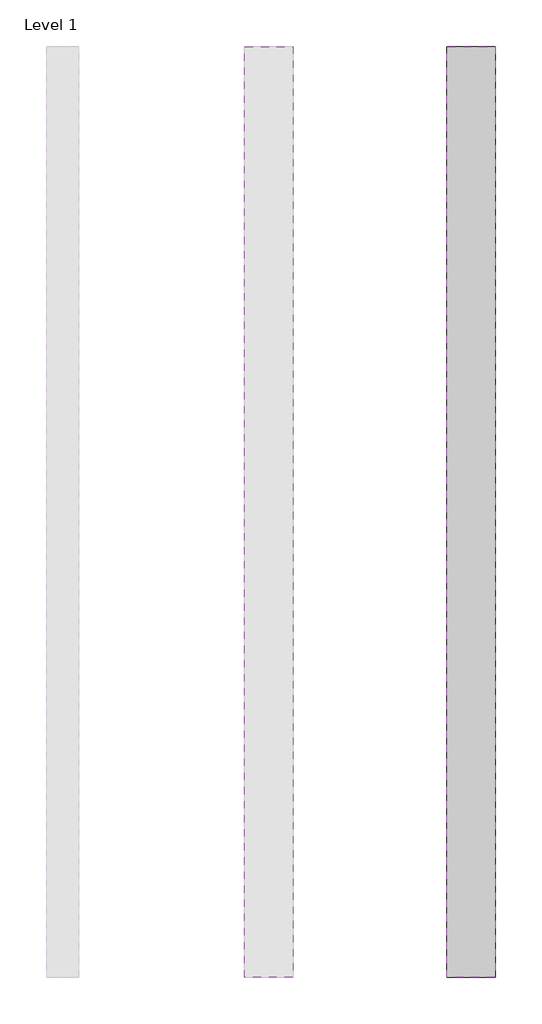
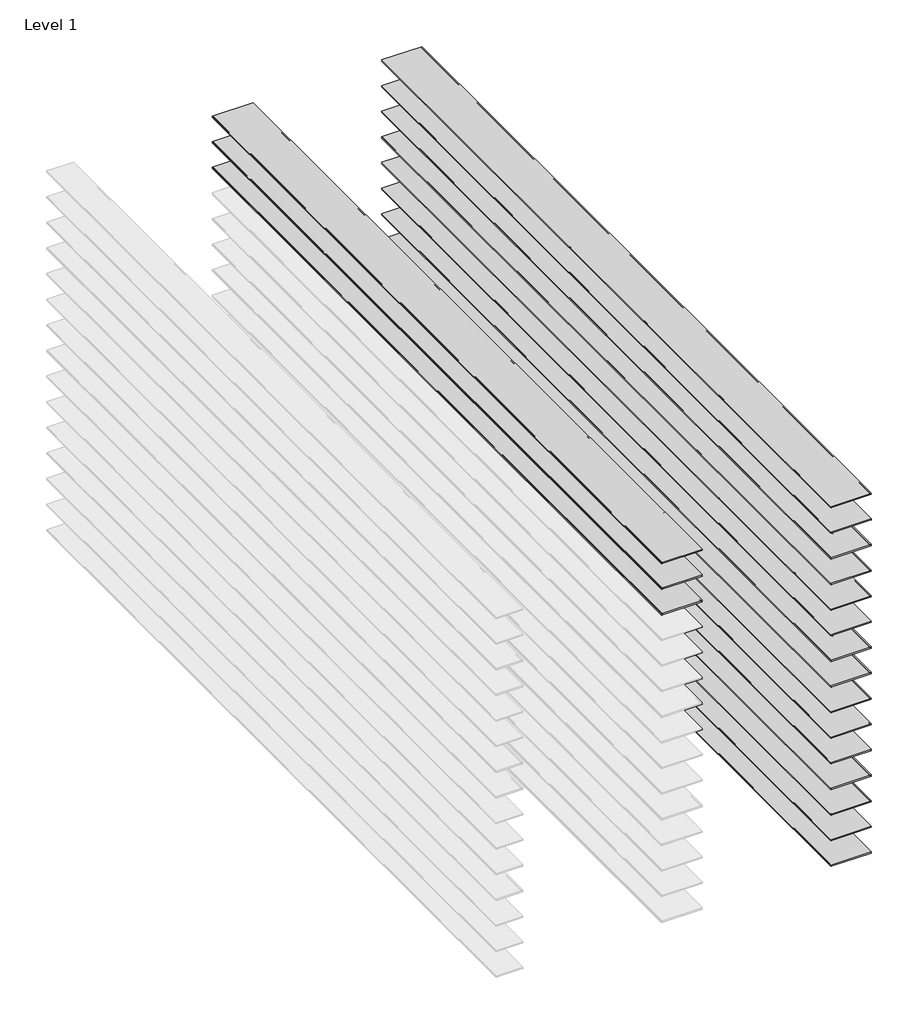
# One storey, part 3 of 3: 18 proxies.
"""IFC4 building model written with IfcOpenShell, lengths in millimetres."""

from ifc_helpers import new_model, si_unit, point, frame, frame_2d, origin, place, context, project, spatial, polyline, circle_curve, trimmed, segment, composite_curve, outline, extrude, element, save
from ifc_brep_helpers import plane_surface, revolved_surface, advanced_brep

model = new_model("IFC4")

# Units and contexts
model_context = context("Model", 3, world=origin())
ifc_project = project(units=[si_unit("LENGTHUNIT", "METRE", prefix="MILLI")], contexts=[model_context])

# Site, building, storey
site = spatial("IfcSite", under=ifc_project)
building = spatial("IfcBuilding", under=site)
storey = spatial("IfcBuildingStorey", under=building, Name="Level 1", Elevation=0.0)

# Proxies
placement = place(None, origin())
element("IfcBuildingElementProxy", 1, Name="Reveals", at=placement, inside=storey, context=model_context, shape_type="AdvancedBrep", body=[
    advanced_brep(
    [(-16224.8026773, 3227.6377356, 2632.075), (-16224.8026773, 3227.6377356, 2641.6), (-16529.6026773, 3227.6377356, 2641.6), (-16529.6026773, 3227.6377356, 2632.075), (-16224.8026773, 9069.6377356, 2632.075), (-16529.6026773, 9069.6377356, 2632.075), (-16529.6026773, 9069.6377356, 2641.6), (-16224.8026773, 9069.6377356, 2641.6)],
    [
        (0, 1, circle_curve(frame((-16224.8026773, 3227.6377356, 2636.8375), z_axis=(0.0, 1.0, 0.0), x_axis=(1.0, 0.0, 0.0)), 4.7625)),
        (1, 2),
        (2, 3, circle_curve(frame((-16529.6026773, 3227.6377356, 2636.8375), z_axis=(0.0, 1.0, 0.0), x_axis=(1.0, 0.0, 0.0)), 4.7625)),
        (3, 0),
        (4, 5),
        (5, 6, circle_curve(frame((-16529.6026773, 9069.6377356, 2636.8375), z_axis=(0.0, -1.0, 0.0), x_axis=(1.0, 0.0, 0.0)), 4.7625)),
        (6, 7),
        (7, 4, circle_curve(frame((-16224.8026773, 9069.6377356, 2636.8375), z_axis=(0.0, -1.0, 0.0), x_axis=(1.0, 0.0, 0.0)), 4.7625)),
        (0, 4),
        (7, 1),
        (6, 2),
        (5, 3),
    ],
    [
        plane_surface(frame((-16834.5514691, 3227.6377356, 2641.6), z_axis=(0.0, -1.0, 0.0), x_axis=(0.0, 0.0, 1.0))),
        plane_surface(frame((-16834.5514691, 9069.6377356, 2641.6), z_axis=(0.0, 1.0, 0.0), x_axis=(0.0, 0.0, 1.0))),
        revolved_surface(polyline([(-16220.0401773, 9069.6377356, 2636.8375), (-16220.0401773, 3227.6377356, 2636.8375)]), (-16224.8026773, 3227.6377356, 2636.8375), (0.0, 1.0, 0.0)),
        plane_surface(frame((-16224.8026773, 3227.6377356, 2641.6), z_axis=(0.0, 0.0, 1.0), x_axis=(0.0, 1.0, 0.0))),
        revolved_surface(polyline([(-16524.8401773, 9069.6377356, 2636.8375), (-16524.8401773, 3227.6377356, 2636.8375)]), (-16529.6026773, 3227.6377356, 2636.8375), (0.0, 1.0, 0.0)),
        plane_surface(frame((-16529.6026773, 3227.6377356, 2632.075), z_axis=(0.0, 0.0, -1.0), x_axis=(0.0, 1.0, 0.0))),
    ],
    [
        (0, [[1, 2, 3, 4]]),
        (1, [[5, 6, 7, 8]]),
        (2, [[-1, 9, -8, 10]]),
        (3, [[-2, -10, -7, 11]]),
        (4, [[-3, -11, -6, 12]]),
        (5, [[-4, -12, -5, -9]]),
    ],
),
])
element("IfcBuildingElementProxy", 2, Name="Reveals", at=placement, inside=storey, context=model_context, shape_type="AdvancedBrep", body=[
    advanced_brep(
    [(-16224.8026773, 3227.6377356, 2835.275), (-16224.8026773, 3227.6377356, 2844.8), (-16529.6026773, 3227.6377356, 2844.8), (-16529.6026773, 3227.6377356, 2835.275), (-16224.8026773, 9069.6377356, 2835.275), (-16529.6026773, 9069.6377356, 2835.275), (-16529.6026773, 9069.6377356, 2844.8), (-16224.8026773, 9069.6377356, 2844.8)],
    [
        (0, 1, circle_curve(frame((-16224.8026773, 3227.6377356, 2840.0375), z_axis=(0.0, 1.0, 0.0), x_axis=(1.0, 0.0, 0.0)), 4.7625)),
        (1, 2),
        (2, 3, circle_curve(frame((-16529.6026773, 3227.6377356, 2840.0375), z_axis=(0.0, 1.0, 0.0), x_axis=(1.0, 0.0, 0.0)), 4.7625)),
        (3, 0),
        (4, 5),
        (5, 6, circle_curve(frame((-16529.6026773, 9069.6377356, 2840.0375), z_axis=(0.0, -1.0, 0.0), x_axis=(1.0, 0.0, 0.0)), 4.7625)),
        (6, 7),
        (7, 4, circle_curve(frame((-16224.8026773, 9069.6377356, 2840.0375), z_axis=(0.0, -1.0, 0.0), x_axis=(1.0, 0.0, 0.0)), 4.7625)),
        (0, 4),
        (7, 1),
        (6, 2),
        (5, 3),
    ],
    [
        plane_surface(frame((-16834.5514691, 3227.6377356, 2844.8), z_axis=(0.0, -1.0, 0.0), x_axis=(0.0, 0.0, 1.0))),
        plane_surface(frame((-16834.5514691, 9069.6377356, 2844.8), z_axis=(0.0, 1.0, 0.0), x_axis=(0.0, 0.0, 1.0))),
        revolved_surface(polyline([(-16220.0401773, 9069.6377356, 2840.0375), (-16220.0401773, 3227.6377356, 2840.0375)]), (-16224.8026773, 3227.6377356, 2840.0375), (0.0, 1.0, 0.0)),
        plane_surface(frame((-16224.8026773, 3227.6377356, 2844.8), z_axis=(0.0, 0.0, 1.0), x_axis=(0.0, 1.0, 0.0))),
        revolved_surface(polyline([(-16524.8401773, 9069.6377356, 2840.0375), (-16524.8401773, 3227.6377356, 2840.0375)]), (-16529.6026773, 3227.6377356, 2840.0375), (0.0, 1.0, 0.0)),
        plane_surface(frame((-16529.6026773, 3227.6377356, 2835.275), z_axis=(0.0, 0.0, -1.0), x_axis=(0.0, 1.0, 0.0))),
    ],
    [
        (0, [[1, 2, 3, 4]]),
        (1, [[5, 6, 7, 8]]),
        (2, [[-1, 9, -8, 10]]),
        (3, [[-2, -10, -7, 11]]),
        (4, [[-3, -11, -6, 12]]),
        (5, [[-4, -12, -5, -9]]),
    ],
),
])
element("IfcBuildingElementProxy", 3, Name="Reveals", at=placement, inside=storey, context=model_context, shape_type="AdvancedBrep", body=[
    advanced_brep(
    [(-16224.8026773, 3227.6377356, 3038.475), (-16224.8026773, 3227.6377356, 3048.0), (-16529.6026773, 3227.6377356, 3048.0), (-16529.6026773, 3227.6377356, 3038.475), (-16224.8026773, 9069.6377356, 3038.475), (-16529.6026773, 9069.6377356, 3038.475), (-16529.6026773, 9069.6377356, 3048.0), (-16224.8026773, 9069.6377356, 3048.0)],
    [
        (0, 1, circle_curve(frame((-16224.8026773, 3227.6377356, 3043.2375), z_axis=(0.0, 1.0, 0.0), x_axis=(1.0, 0.0, 0.0)), 4.7625)),
        (1, 2),
        (2, 3, circle_curve(frame((-16529.6026773, 3227.6377356, 3043.2375), z_axis=(0.0, 1.0, 0.0), x_axis=(1.0, 0.0, 0.0)), 4.7625)),
        (3, 0),
        (4, 5),
        (5, 6, circle_curve(frame((-16529.6026773, 9069.6377356, 3043.2375), z_axis=(0.0, -1.0, 0.0), x_axis=(1.0, 0.0, 0.0)), 4.7625)),
        (6, 7),
        (7, 4, circle_curve(frame((-16224.8026773, 9069.6377356, 3043.2375), z_axis=(0.0, -1.0, 0.0), x_axis=(1.0, 0.0, 0.0)), 4.7625)),
        (0, 4),
        (7, 1),
        (6, 2),
        (5, 3),
    ],
    [
        plane_surface(frame((-16834.5514691, 3227.6377356, 3048.0), z_axis=(0.0, -1.0, 0.0), x_axis=(0.0, 0.0, 1.0))),
        plane_surface(frame((-16834.5514691, 9069.6377356, 3048.0), z_axis=(0.0, 1.0, 0.0), x_axis=(0.0, 0.0, 1.0))),
        revolved_surface(polyline([(-16220.0401773, 9069.6377356, 3043.2375), (-16220.0401773, 3227.6377356, 3043.2375)]), (-16224.8026773, 3227.6377356, 3043.2375), (0.0, 1.0, 0.0)),
        plane_surface(frame((-16224.8026773, 3227.6377356, 3048.0), z_axis=(0.0, 0.0, 1.0), x_axis=(0.0, 1.0, 0.0))),
        revolved_surface(polyline([(-16524.8401773, 9069.6377356, 3043.2375), (-16524.8401773, 3227.6377356, 3043.2375)]), (-16529.6026773, 3227.6377356, 3043.2375), (0.0, 1.0, 0.0)),
        plane_surface(frame((-16529.6026773, 3227.6377356, 3038.475), z_axis=(0.0, 0.0, -1.0), x_axis=(0.0, 1.0, 0.0))),
    ],
    [
        (0, [[1, 2, 3, 4]]),
        (1, [[5, 6, 7, 8]]),
        (2, [[-1, 9, -8, 10]]),
        (3, [[-2, -10, -7, 11]]),
        (4, [[-3, -11, -6, 12]]),
        (5, [[-4, -12, -5, -9]]),
    ],
),
])
element("IfcBuildingElementProxy", 4, Name="Reveals", at=placement, inside=storey, context=model_context, shape_type="AdvancedBrep", body=[
    advanced_brep(
    [(-14954.8026773, 3227.6377356, 1209.675), (-14954.8026773, 3227.6377356, 1219.2), (-15259.6026773, 3227.6377356, 1219.2), (-15259.6026773, 3227.6377356, 1209.675), (-14954.8026773, 9069.6377356, 1209.675), (-15259.6026773, 9069.6377356, 1209.675), (-15259.6026773, 9069.6377356, 1219.2), (-14954.8026773, 9069.6377356, 1219.2)],
    [
        (0, 1, circle_curve(frame((-14954.8026773, 3227.6377356, 1214.4375), z_axis=(0.0, 1.0, 0.0), x_axis=(1.0, 0.0, 0.0)), 4.7625)),
        (1, 2),
        (2, 3, circle_curve(frame((-15259.6026773, 3227.6377356, 1214.4375), z_axis=(0.0, 1.0, 0.0), x_axis=(1.0, 0.0, 0.0)), 4.7625)),
        (3, 0),
        (4, 5),
        (5, 6, circle_curve(frame((-15259.6026773, 9069.6377356, 1214.4375), z_axis=(0.0, -1.0, 0.0), x_axis=(1.0, 0.0, 0.0)), 4.7625)),
        (6, 7),
        (7, 4, circle_curve(frame((-14954.8026773, 9069.6377356, 1214.4375), z_axis=(0.0, -1.0, 0.0), x_axis=(1.0, 0.0, 0.0)), 4.7625)),
        (0, 4),
        (7, 1),
        (6, 2),
        (5, 3),
    ],
    [
        plane_surface(frame((-15564.5514691, 3227.6377356, 1219.2), z_axis=(0.0, -1.0, 0.0), x_axis=(0.0, 0.0, 1.0))),
        plane_surface(frame((-15564.5514691, 9069.6377356, 1219.2), z_axis=(0.0, 1.0, 0.0), x_axis=(0.0, 0.0, 1.0))),
        revolved_surface(polyline([(-14950.0401773, 9069.6377356, 1214.4375), (-14950.0401773, 3227.6377356, 1214.4375)]), (-14954.8026773, 3227.6377356, 1214.4375), (0.0, 1.0, 0.0)),
        plane_surface(frame((-14954.8026773, 3227.6377356, 1219.2), z_axis=(0.0, 0.0, 1.0), x_axis=(0.0, 1.0, 0.0))),
        revolved_surface(polyline([(-15254.840177299999, 9069.6377356, 1214.4375), (-15254.840177299999, 3227.6377356, 1214.4375)]), (-15259.6026773, 3227.6377356, 1214.4375), (0.0, 1.0, 0.0)),
        plane_surface(frame((-15259.6026773, 3227.6377356, 1209.675), z_axis=(0.0, 0.0, -1.0), x_axis=(0.0, 1.0, 0.0))),
    ],
    [
        (0, [[1, 2, 3, 4]]),
        (1, [[5, 6, 7, 8]]),
        (2, [[-1, 9, -8, 10]]),
        (3, [[-2, -10, -7, 11]]),
        (4, [[-3, -11, -6, 12]]),
        (5, [[-4, -12, -5, -9]]),
    ],
),
])
element("IfcBuildingElementProxy", 5, Name="Reveals", at=placement, inside=storey, context=model_context, shape_type="AdvancedBrep", body=[
    advanced_brep(
    [(-14954.8026773, 3227.6377356, 1006.475), (-14954.8026773, 3227.6377356, 1016.0), (-15259.6026773, 3227.6377356, 1016.0), (-15259.6026773, 3227.6377356, 1006.475), (-14954.8026773, 9069.6377356, 1006.475), (-15259.6026773, 9069.6377356, 1006.475), (-15259.6026773, 9069.6377356, 1016.0), (-14954.8026773, 9069.6377356, 1016.0)],
    [
        (0, 1, circle_curve(frame((-14954.8026773, 3227.6377356, 1011.2375), z_axis=(0.0, 1.0, 0.0), x_axis=(1.0, 0.0, 0.0)), 4.7625)),
        (1, 2),
        (2, 3, circle_curve(frame((-15259.6026773, 3227.6377356, 1011.2375), z_axis=(0.0, 1.0, 0.0), x_axis=(1.0, 0.0, 0.0)), 4.7625)),
        (3, 0),
        (4, 5),
        (5, 6, circle_curve(frame((-15259.6026773, 9069.6377356, 1011.2375), z_axis=(0.0, -1.0, 0.0), x_axis=(1.0, 0.0, 0.0)), 4.7625)),
        (6, 7),
        (7, 4, circle_curve(frame((-14954.8026773, 9069.6377356, 1011.2375), z_axis=(0.0, -1.0, 0.0), x_axis=(1.0, 0.0, 0.0)), 4.7625)),
        (0, 4),
        (7, 1),
        (6, 2),
        (5, 3),
    ],
    [
        plane_surface(frame((-15564.5514691, 3227.6377356, 1016.0), z_axis=(0.0, -1.0, 0.0), x_axis=(0.0, 0.0, 1.0))),
        plane_surface(frame((-15564.5514691, 9069.6377356, 1016.0), z_axis=(0.0, 1.0, 0.0), x_axis=(0.0, 0.0, 1.0))),
        revolved_surface(polyline([(-14950.0401773, 9069.6377356, 1011.2375), (-14950.0401773, 3227.6377356, 1011.2375)]), (-14954.8026773, 3227.6377356, 1011.2375), (0.0, 1.0, 0.0)),
        plane_surface(frame((-14954.8026773, 3227.6377356, 1016.0), z_axis=(0.0, 0.0, 1.0), x_axis=(0.0, 1.0, 0.0))),
        revolved_surface(polyline([(-15254.840177299999, 9069.6377356, 1011.2375), (-15254.840177299999, 3227.6377356, 1011.2375)]), (-15259.6026773, 3227.6377356, 1011.2375), (0.0, 1.0, 0.0)),
        plane_surface(frame((-15259.6026773, 3227.6377356, 1006.475), z_axis=(0.0, 0.0, -1.0), x_axis=(0.0, 1.0, 0.0))),
    ],
    [
        (0, [[1, 2, 3, 4]]),
        (1, [[5, 6, 7, 8]]),
        (2, [[-1, 9, -8, 10]]),
        (3, [[-2, -10, -7, 11]]),
        (4, [[-3, -11, -6, 12]]),
        (5, [[-4, -12, -5, -9]]),
    ],
),
])
element("IfcBuildingElementProxy", 6, Name="Reveals", at=placement, inside=storey, context=model_context, shape_type="AdvancedBrep", body=[
    advanced_brep(
    [(-14954.8026773, 3227.6377356, 803.275), (-14954.8026773, 3227.6377356, 812.8), (-15259.6026773, 3227.6377356, 812.8), (-15259.6026773, 3227.6377356, 803.275), (-14954.8026773, 9069.6377356, 803.275), (-15259.6026773, 9069.6377356, 803.275), (-15259.6026773, 9069.6377356, 812.8), (-14954.8026773, 9069.6377356, 812.8)],
    [
        (0, 1, circle_curve(frame((-14954.8026773, 3227.6377356, 808.0375), z_axis=(0.0, 1.0, 0.0), x_axis=(1.0, 0.0, 0.0)), 4.7625)),
        (1, 2),
        (2, 3, circle_curve(frame((-15259.6026773, 3227.6377356, 808.0375), z_axis=(0.0, 1.0, 0.0), x_axis=(1.0, 0.0, 0.0)), 4.7625)),
        (3, 0),
        (4, 5),
        (5, 6, circle_curve(frame((-15259.6026773, 9069.6377356, 808.0375), z_axis=(0.0, -1.0, 0.0), x_axis=(1.0, 0.0, 0.0)), 4.7625)),
        (6, 7),
        (7, 4, circle_curve(frame((-14954.8026773, 9069.6377356, 808.0375), z_axis=(0.0, -1.0, 0.0), x_axis=(1.0, 0.0, 0.0)), 4.7625)),
        (0, 4),
        (7, 1),
        (6, 2),
        (5, 3),
    ],
    [
        plane_surface(frame((-15564.5514691, 3227.6377356, 812.8), z_axis=(0.0, -1.0, 0.0), x_axis=(0.0, 0.0, 1.0))),
        plane_surface(frame((-15564.5514691, 9069.6377356, 812.8), z_axis=(0.0, 1.0, 0.0), x_axis=(0.0, 0.0, 1.0))),
        revolved_surface(polyline([(-14950.0401773, 9069.6377356, 808.0375), (-14950.0401773, 3227.6377356, 808.0375)]), (-14954.8026773, 3227.6377356, 808.0375), (0.0, 1.0, 0.0)),
        plane_surface(frame((-14954.8026773, 3227.6377356, 812.8), z_axis=(0.0, 0.0, 1.0), x_axis=(0.0, 1.0, 0.0))),
        revolved_surface(polyline([(-15254.840177299999, 9069.6377356, 808.0375), (-15254.840177299999, 3227.6377356, 808.0375)]), (-15259.6026773, 3227.6377356, 808.0375), (0.0, 1.0, 0.0)),
        plane_surface(frame((-15259.6026773, 3227.6377356, 803.275), z_axis=(0.0, 0.0, -1.0), x_axis=(0.0, 1.0, 0.0))),
    ],
    [
        (0, [[1, 2, 3, 4]]),
        (1, [[5, 6, 7, 8]]),
        (2, [[-1, 9, -8, 10]]),
        (3, [[-2, -10, -7, 11]]),
        (4, [[-3, -11, -6, 12]]),
        (5, [[-4, -12, -5, -9]]),
    ],
),
])
element("IfcBuildingElementProxy", 7, Name="Reveals", at=placement, inside=storey, context=model_context, shape_type="AdvancedBrep", body=[
    advanced_brep(
    [(-14954.8026773, 3227.6377356, 600.075), (-14954.8026773, 3227.6377356, 609.6), (-15259.6026773, 3227.6377356, 609.6), (-15259.6026773, 3227.6377356, 600.075), (-14954.8026773, 9069.6377356, 600.075), (-15259.6026773, 9069.6377356, 600.075), (-15259.6026773, 9069.6377356, 609.6), (-14954.8026773, 9069.6377356, 609.6)],
    [
        (0, 1, circle_curve(frame((-14954.8026773, 3227.6377356, 604.8375), z_axis=(0.0, 1.0, 0.0), x_axis=(1.0, 0.0, 0.0)), 4.7625)),
        (1, 2),
        (2, 3, circle_curve(frame((-15259.6026773, 3227.6377356, 604.8375), z_axis=(0.0, 1.0, 0.0), x_axis=(1.0, 0.0, 0.0)), 4.7625)),
        (3, 0),
        (4, 5),
        (5, 6, circle_curve(frame((-15259.6026773, 9069.6377356, 604.8375), z_axis=(0.0, -1.0, 0.0), x_axis=(1.0, 0.0, 0.0)), 4.7625)),
        (6, 7),
        (7, 4, circle_curve(frame((-14954.8026773, 9069.6377356, 604.8375), z_axis=(0.0, -1.0, 0.0), x_axis=(1.0, 0.0, 0.0)), 4.7625)),
        (0, 4),
        (7, 1),
        (6, 2),
        (5, 3),
    ],
    [
        plane_surface(frame((-15564.5514691, 3227.6377356, 609.6), z_axis=(0.0, -1.0, 0.0), x_axis=(0.0, 0.0, 1.0))),
        plane_surface(frame((-15564.5514691, 9069.6377356, 609.6), z_axis=(0.0, 1.0, 0.0), x_axis=(0.0, 0.0, 1.0))),
        revolved_surface(polyline([(-14950.0401773, 9069.6377356, 604.8375), (-14950.0401773, 3227.6377356, 604.8375)]), (-14954.8026773, 3227.6377356, 604.8375), (0.0, 1.0, 0.0)),
        plane_surface(frame((-14954.8026773, 3227.6377356, 609.6), z_axis=(0.0, 0.0, 1.0), x_axis=(0.0, 1.0, 0.0))),
        revolved_surface(polyline([(-15254.840177299999, 9069.6377356, 604.8375), (-15254.840177299999, 3227.6377356, 604.8375)]), (-15259.6026773, 3227.6377356, 604.8375), (0.0, 1.0, 0.0)),
        plane_surface(frame((-15259.6026773, 3227.6377356, 600.075), z_axis=(0.0, 0.0, -1.0), x_axis=(0.0, 1.0, 0.0))),
    ],
    [
        (0, [[1, 2, 3, 4]]),
        (1, [[5, 6, 7, 8]]),
        (2, [[-1, 9, -8, 10]]),
        (3, [[-2, -10, -7, 11]]),
        (4, [[-3, -11, -6, 12]]),
        (5, [[-4, -12, -5, -9]]),
    ],
),
])
element("IfcBuildingElementProxy", 8, Name="Reveals", at=placement, inside=storey, context=model_context, shape_type="SweptSolid", body=[
    extrude(outline(composite_curve([segment(trimmed(circle_curve(frame_2d((401.6375, -14954.8026773)), 4.7625), [point((396.875, -14954.8026773))], [point((406.4, -14954.8026773))], True, "CARTESIAN"), True, "CONTINUOUS"), segment(polyline([(406.4, -14954.8026773), (406.4, -15259.6026773)]), True, "CONTINUOUS"), segment(trimmed(circle_curve(frame_2d((401.6375, -15259.6026773)), 4.7625), [point((406.4, -15259.6026773))], [point((396.875, -15259.6026773))], True, "CARTESIAN"), True, "CONTINUOUS"), segment(polyline([(396.875, -15259.6026773), (396.875, -14954.8026773)]), True, "CONTINUOUS")], self_intersect=False)), frame((0.0, 3227.6377356, 0.0), z_axis=(0.0, 1.0, 0.0), x_axis=(0.0, 0.0, 1.0)), (0.0, 0.0, 1.0), 5842.0),
])
element("IfcBuildingElementProxy", 9, Name="Reveals", at=placement, inside=storey, context=model_context, shape_type="SweptSolid", body=[
    extrude(outline(composite_curve([segment(trimmed(circle_curve(frame_2d((198.4375, -14954.8026773)), 4.7625), [point((193.675, -14954.8026773))], [point((203.2, -14954.8026773))], True, "CARTESIAN"), True, "CONTINUOUS"), segment(polyline([(203.2, -14954.8026773), (203.2, -15259.6026773)]), True, "CONTINUOUS"), segment(trimmed(circle_curve(frame_2d((198.4375, -15259.6026773)), 4.7625), [point((203.2, -15259.6026773))], [point((193.675, -15259.6026773))], True, "CARTESIAN"), True, "CONTINUOUS"), segment(polyline([(193.675, -15259.6026773), (193.675, -14954.8026773)]), True, "CONTINUOUS")], self_intersect=False)), frame((0.0, 3227.6377356, 0.0), z_axis=(0.0, 1.0, 0.0), x_axis=(0.0, 0.0, 1.0)), (0.0, 0.0, 1.0), 5842.0),
])
element("IfcBuildingElementProxy", 10, Name="Reveals", at=placement, inside=storey, context=model_context, shape_type="AdvancedBrep", body=[
    advanced_brep(
    [(-14954.8026773, 3227.6377356, 2225.675), (-14954.8026773, 3227.6377356, 2235.2), (-15259.6026773, 3227.6377356, 2235.2), (-15259.6026773, 3227.6377356, 2225.675), (-14954.8026773, 9069.6377356, 2225.675), (-15259.6026773, 9069.6377356, 2225.675), (-15259.6026773, 9069.6377356, 2235.2), (-14954.8026773, 9069.6377356, 2235.2)],
    [
        (0, 1, circle_curve(frame((-14954.8026773, 3227.6377356, 2230.4375), z_axis=(0.0, 1.0, 0.0), x_axis=(1.0, 0.0, 0.0)), 4.7625)),
        (1, 2),
        (2, 3, circle_curve(frame((-15259.6026773, 3227.6377356, 2230.4375), z_axis=(0.0, 1.0, 0.0), x_axis=(1.0, 0.0, 0.0)), 4.7625)),
        (3, 0),
        (4, 5),
        (5, 6, circle_curve(frame((-15259.6026773, 9069.6377356, 2230.4375), z_axis=(0.0, -1.0, 0.0), x_axis=(1.0, 0.0, 0.0)), 4.7625)),
        (6, 7),
        (7, 4, circle_curve(frame((-14954.8026773, 9069.6377356, 2230.4375), z_axis=(0.0, -1.0, 0.0), x_axis=(1.0, 0.0, 0.0)), 4.7625)),
        (0, 4),
        (7, 1),
        (6, 2),
        (5, 3),
    ],
    [
        plane_surface(frame((-15564.5514691, 3227.6377356, 2235.2), z_axis=(0.0, -1.0, 0.0), x_axis=(0.0, 0.0, 1.0))),
        plane_surface(frame((-15564.5514691, 9069.6377356, 2235.2), z_axis=(0.0, 1.0, 0.0), x_axis=(0.0, 0.0, 1.0))),
        revolved_surface(polyline([(-14950.0401773, 9069.6377356, 2230.4375), (-14950.0401773, 3227.6377356, 2230.4375)]), (-14954.8026773, 3227.6377356, 2230.4375), (0.0, 1.0, 0.0)),
        plane_surface(frame((-14954.8026773, 3227.6377356, 2235.2), z_axis=(0.0, 0.0, 1.0), x_axis=(0.0, 1.0, 0.0))),
        revolved_surface(polyline([(-15254.840177299999, 9069.6377356, 2230.4375), (-15254.840177299999, 3227.6377356, 2230.4375)]), (-15259.6026773, 3227.6377356, 2230.4375), (0.0, 1.0, 0.0)),
        plane_surface(frame((-15259.6026773, 3227.6377356, 2225.675), z_axis=(0.0, 0.0, -1.0), x_axis=(0.0, 1.0, 0.0))),
    ],
    [
        (0, [[1, 2, 3, 4]]),
        (1, [[5, 6, 7, 8]]),
        (2, [[-1, 9, -8, 10]]),
        (3, [[-2, -10, -7, 11]]),
        (4, [[-3, -11, -6, 12]]),
        (5, [[-4, -12, -5, -9]]),
    ],
),
])
element("IfcBuildingElementProxy", 11, Name="Reveals", at=placement, inside=storey, context=model_context, shape_type="AdvancedBrep", body=[
    advanced_brep(
    [(-14954.8026773, 3227.6377356, 2022.475), (-14954.8026773, 3227.6377356, 2032.0), (-15259.6026773, 3227.6377356, 2032.0), (-15259.6026773, 3227.6377356, 2022.475), (-14954.8026773, 9069.6377356, 2022.475), (-15259.6026773, 9069.6377356, 2022.475), (-15259.6026773, 9069.6377356, 2032.0), (-14954.8026773, 9069.6377356, 2032.0)],
    [
        (0, 1, circle_curve(frame((-14954.8026773, 3227.6377356, 2027.2375), z_axis=(0.0, 1.0, 0.0), x_axis=(1.0, 0.0, 0.0)), 4.7625)),
        (1, 2),
        (2, 3, circle_curve(frame((-15259.6026773, 3227.6377356, 2027.2375), z_axis=(0.0, 1.0, 0.0), x_axis=(1.0, 0.0, 0.0)), 4.7625)),
        (3, 0),
        (4, 5),
        (5, 6, circle_curve(frame((-15259.6026773, 9069.6377356, 2027.2375), z_axis=(0.0, -1.0, 0.0), x_axis=(1.0, 0.0, 0.0)), 4.7625)),
        (6, 7),
        (7, 4, circle_curve(frame((-14954.8026773, 9069.6377356, 2027.2375), z_axis=(0.0, -1.0, 0.0), x_axis=(1.0, 0.0, 0.0)), 4.7625)),
        (0, 4),
        (7, 1),
        (6, 2),
        (5, 3),
    ],
    [
        plane_surface(frame((-15564.5514691, 3227.6377356, 2032.0), z_axis=(0.0, -1.0, 0.0), x_axis=(0.0, 0.0, 1.0))),
        plane_surface(frame((-15564.5514691, 9069.6377356, 2032.0), z_axis=(0.0, 1.0, 0.0), x_axis=(0.0, 0.0, 1.0))),
        revolved_surface(polyline([(-14950.0401773, 9069.6377356, 2027.2375), (-14950.0401773, 3227.6377356, 2027.2375)]), (-14954.8026773, 3227.6377356, 2027.2375), (0.0, 1.0, 0.0)),
        plane_surface(frame((-14954.8026773, 3227.6377356, 2032.0), z_axis=(0.0, 0.0, 1.0), x_axis=(0.0, 1.0, 0.0))),
        revolved_surface(polyline([(-15254.840177299999, 9069.6377356, 2027.2375), (-15254.840177299999, 3227.6377356, 2027.2375)]), (-15259.6026773, 3227.6377356, 2027.2375), (0.0, 1.0, 0.0)),
        plane_surface(frame((-15259.6026773, 3227.6377356, 2022.475), z_axis=(0.0, 0.0, -1.0), x_axis=(0.0, 1.0, 0.0))),
    ],
    [
        (0, [[1, 2, 3, 4]]),
        (1, [[5, 6, 7, 8]]),
        (2, [[-1, 9, -8, 10]]),
        (3, [[-2, -10, -7, 11]]),
        (4, [[-3, -11, -6, 12]]),
        (5, [[-4, -12, -5, -9]]),
    ],
),
])
element("IfcBuildingElementProxy", 12, Name="Reveals", at=placement, inside=storey, context=model_context, shape_type="AdvancedBrep", body=[
    advanced_brep(
    [(-14954.8026773, 3227.6377356, 1819.275), (-14954.8026773, 3227.6377356, 1828.8), (-15259.6026773, 3227.6377356, 1828.8), (-15259.6026773, 3227.6377356, 1819.275), (-14954.8026773, 9069.6377356, 1819.275), (-15259.6026773, 9069.6377356, 1819.275), (-15259.6026773, 9069.6377356, 1828.8), (-14954.8026773, 9069.6377356, 1828.8)],
    [
        (0, 1, circle_curve(frame((-14954.8026773, 3227.6377356, 1824.0375), z_axis=(0.0, 1.0, 0.0), x_axis=(1.0, 0.0, 0.0)), 4.7625)),
        (1, 2),
        (2, 3, circle_curve(frame((-15259.6026773, 3227.6377356, 1824.0375), z_axis=(0.0, 1.0, 0.0), x_axis=(1.0, 0.0, 0.0)), 4.7625)),
        (3, 0),
        (4, 5),
        (5, 6, circle_curve(frame((-15259.6026773, 9069.6377356, 1824.0375), z_axis=(0.0, -1.0, 0.0), x_axis=(1.0, 0.0, 0.0)), 4.7625)),
        (6, 7),
        (7, 4, circle_curve(frame((-14954.8026773, 9069.6377356, 1824.0375), z_axis=(0.0, -1.0, 0.0), x_axis=(1.0, 0.0, 0.0)), 4.7625)),
        (0, 4),
        (7, 1),
        (6, 2),
        (5, 3),
    ],
    [
        plane_surface(frame((-15564.5514691, 3227.6377356, 1828.8), z_axis=(0.0, -1.0, 0.0), x_axis=(0.0, 0.0, 1.0))),
        plane_surface(frame((-15564.5514691, 9069.6377356, 1828.8), z_axis=(0.0, 1.0, 0.0), x_axis=(0.0, 0.0, 1.0))),
        revolved_surface(polyline([(-14950.0401773, 9069.6377356, 1824.0375), (-14950.0401773, 3227.6377356, 1824.0375)]), (-14954.8026773, 3227.6377356, 1824.0375), (0.0, 1.0, 0.0)),
        plane_surface(frame((-14954.8026773, 3227.6377356, 1828.8), z_axis=(0.0, 0.0, 1.0), x_axis=(0.0, 1.0, 0.0))),
        revolved_surface(polyline([(-15254.840177299999, 9069.6377356, 1824.0375), (-15254.840177299999, 3227.6377356, 1824.0375)]), (-15259.6026773, 3227.6377356, 1824.0375), (0.0, 1.0, 0.0)),
        plane_surface(frame((-15259.6026773, 3227.6377356, 1819.275), z_axis=(0.0, 0.0, -1.0), x_axis=(0.0, 1.0, 0.0))),
    ],
    [
        (0, [[1, 2, 3, 4]]),
        (1, [[5, 6, 7, 8]]),
        (2, [[-1, 9, -8, 10]]),
        (3, [[-2, -10, -7, 11]]),
        (4, [[-3, -11, -6, 12]]),
        (5, [[-4, -12, -5, -9]]),
    ],
),
])
element("IfcBuildingElementProxy", 13, Name="Reveals", at=placement, inside=storey, context=model_context, shape_type="AdvancedBrep", body=[
    advanced_brep(
    [(-14954.8026773, 3227.6377356, 1616.075), (-14954.8026773, 3227.6377356, 1625.6), (-15259.6026773, 3227.6377356, 1625.6), (-15259.6026773, 3227.6377356, 1616.075), (-14954.8026773, 9069.6377356, 1616.075), (-15259.6026773, 9069.6377356, 1616.075), (-15259.6026773, 9069.6377356, 1625.6), (-14954.8026773, 9069.6377356, 1625.6)],
    [
        (0, 1, circle_curve(frame((-14954.8026773, 3227.6377356, 1620.8375), z_axis=(0.0, 1.0, 0.0), x_axis=(1.0, 0.0, 0.0)), 4.7625)),
        (1, 2),
        (2, 3, circle_curve(frame((-15259.6026773, 3227.6377356, 1620.8375), z_axis=(0.0, 1.0, 0.0), x_axis=(1.0, 0.0, 0.0)), 4.7625)),
        (3, 0),
        (4, 5),
        (5, 6, circle_curve(frame((-15259.6026773, 9069.6377356, 1620.8375), z_axis=(0.0, -1.0, 0.0), x_axis=(1.0, 0.0, 0.0)), 4.7625)),
        (6, 7),
        (7, 4, circle_curve(frame((-14954.8026773, 9069.6377356, 1620.8375), z_axis=(0.0, -1.0, 0.0), x_axis=(1.0, 0.0, 0.0)), 4.7625)),
        (0, 4),
        (7, 1),
        (6, 2),
        (5, 3),
    ],
    [
        plane_surface(frame((-15564.5514691, 3227.6377356, 1625.6), z_axis=(0.0, -1.0, 0.0), x_axis=(0.0, 0.0, 1.0))),
        plane_surface(frame((-15564.5514691, 9069.6377356, 1625.6), z_axis=(0.0, 1.0, 0.0), x_axis=(0.0, 0.0, 1.0))),
        revolved_surface(polyline([(-14950.0401773, 9069.6377356, 1620.8375), (-14950.0401773, 3227.6377356, 1620.8375)]), (-14954.8026773, 3227.6377356, 1620.8375), (0.0, 1.0, 0.0)),
        plane_surface(frame((-14954.8026773, 3227.6377356, 1625.6), z_axis=(0.0, 0.0, 1.0), x_axis=(0.0, 1.0, 0.0))),
        revolved_surface(polyline([(-15254.840177299999, 9069.6377356, 1620.8375), (-15254.840177299999, 3227.6377356, 1620.8375)]), (-15259.6026773, 3227.6377356, 1620.8375), (0.0, 1.0, 0.0)),
        plane_surface(frame((-15259.6026773, 3227.6377356, 1616.075), z_axis=(0.0, 0.0, -1.0), x_axis=(0.0, 1.0, 0.0))),
    ],
    [
        (0, [[1, 2, 3, 4]]),
        (1, [[5, 6, 7, 8]]),
        (2, [[-1, 9, -8, 10]]),
        (3, [[-2, -10, -7, 11]]),
        (4, [[-3, -11, -6, 12]]),
        (5, [[-4, -12, -5, -9]]),
    ],
),
])
element("IfcBuildingElementProxy", 14, Name="Reveals", at=placement, inside=storey, context=model_context, shape_type="AdvancedBrep", body=[
    advanced_brep(
    [(-14954.8026773, 3227.6377356, 1412.875), (-14954.8026773, 3227.6377356, 1422.4), (-15259.6026773, 3227.6377356, 1422.4), (-15259.6026773, 3227.6377356, 1412.875), (-14954.8026773, 9069.6377356, 1412.875), (-15259.6026773, 9069.6377356, 1412.875), (-15259.6026773, 9069.6377356, 1422.4), (-14954.8026773, 9069.6377356, 1422.4)],
    [
        (0, 1, circle_curve(frame((-14954.8026773, 3227.6377356, 1417.6375), z_axis=(0.0, 1.0, 0.0), x_axis=(1.0, 0.0, 0.0)), 4.7625)),
        (1, 2),
        (2, 3, circle_curve(frame((-15259.6026773, 3227.6377356, 1417.6375), z_axis=(0.0, 1.0, 0.0), x_axis=(1.0, 0.0, 0.0)), 4.7625)),
        (3, 0),
        (4, 5),
        (5, 6, circle_curve(frame((-15259.6026773, 9069.6377356, 1417.6375), z_axis=(0.0, -1.0, 0.0), x_axis=(1.0, 0.0, 0.0)), 4.7625)),
        (6, 7),
        (7, 4, circle_curve(frame((-14954.8026773, 9069.6377356, 1417.6375), z_axis=(0.0, -1.0, 0.0), x_axis=(1.0, 0.0, 0.0)), 4.7625)),
        (0, 4),
        (7, 1),
        (6, 2),
        (5, 3),
    ],
    [
        plane_surface(frame((-15564.5514691, 3227.6377356, 1422.4), z_axis=(0.0, -1.0, 0.0), x_axis=(0.0, 0.0, 1.0))),
        plane_surface(frame((-15564.5514691, 9069.6377356, 1422.4), z_axis=(0.0, 1.0, 0.0), x_axis=(0.0, 0.0, 1.0))),
        revolved_surface(polyline([(-14950.0401773, 9069.6377356, 1417.6375), (-14950.0401773, 3227.6377356, 1417.6375)]), (-14954.8026773, 3227.6377356, 1417.6375), (0.0, 1.0, 0.0)),
        plane_surface(frame((-14954.8026773, 3227.6377356, 1422.4), z_axis=(0.0, 0.0, 1.0), x_axis=(0.0, 1.0, 0.0))),
        revolved_surface(polyline([(-15254.840177299999, 9069.6377356, 1417.6375), (-15254.840177299999, 3227.6377356, 1417.6375)]), (-15259.6026773, 3227.6377356, 1417.6375), (0.0, 1.0, 0.0)),
        plane_surface(frame((-15259.6026773, 3227.6377356, 1412.875), z_axis=(0.0, 0.0, -1.0), x_axis=(0.0, 1.0, 0.0))),
    ],
    [
        (0, [[1, 2, 3, 4]]),
        (1, [[5, 6, 7, 8]]),
        (2, [[-1, 9, -8, 10]]),
        (3, [[-2, -10, -7, 11]]),
        (4, [[-3, -11, -6, 12]]),
        (5, [[-4, -12, -5, -9]]),
    ],
),
])
element("IfcBuildingElementProxy", 15, Name="Reveals", at=placement, inside=storey, context=model_context, shape_type="AdvancedBrep", body=[
    advanced_brep(
    [(-14954.8026773, 3227.6377356, 2428.875), (-14954.8026773, 3227.6377356, 2438.4), (-15259.6026773, 3227.6377356, 2438.4), (-15259.6026773, 3227.6377356, 2428.875), (-14954.8026773, 9069.6377356, 2428.875), (-15259.6026773, 9069.6377356, 2428.875), (-15259.6026773, 9069.6377356, 2438.4), (-14954.8026773, 9069.6377356, 2438.4)],
    [
        (0, 1, circle_curve(frame((-14954.8026773, 3227.6377356, 2433.6375), z_axis=(0.0, 1.0, 0.0), x_axis=(1.0, 0.0, 0.0)), 4.7625)),
        (1, 2),
        (2, 3, circle_curve(frame((-15259.6026773, 3227.6377356, 2433.6375), z_axis=(0.0, 1.0, 0.0), x_axis=(1.0, 0.0, 0.0)), 4.7625)),
        (3, 0),
        (4, 5),
        (5, 6, circle_curve(frame((-15259.6026773, 9069.6377356, 2433.6375), z_axis=(0.0, -1.0, 0.0), x_axis=(1.0, 0.0, 0.0)), 4.7625)),
        (6, 7),
        (7, 4, circle_curve(frame((-14954.8026773, 9069.6377356, 2433.6375), z_axis=(0.0, -1.0, 0.0), x_axis=(1.0, 0.0, 0.0)), 4.7625)),
        (0, 4),
        (7, 1),
        (6, 2),
        (5, 3),
    ],
    [
        plane_surface(frame((-15564.5514691, 3227.6377356, 2438.4), z_axis=(0.0, -1.0, 0.0), x_axis=(0.0, 0.0, 1.0))),
        plane_surface(frame((-15564.5514691, 9069.6377356, 2438.4), z_axis=(0.0, 1.0, 0.0), x_axis=(0.0, 0.0, 1.0))),
        revolved_surface(polyline([(-14950.0401773, 9069.6377356, 2433.6375), (-14950.0401773, 3227.6377356, 2433.6375)]), (-14954.8026773, 3227.6377356, 2433.6375), (0.0, 1.0, 0.0)),
        plane_surface(frame((-14954.8026773, 3227.6377356, 2438.4), z_axis=(0.0, 0.0, 1.0), x_axis=(0.0, 1.0, 0.0))),
        revolved_surface(polyline([(-15254.840177299999, 9069.6377356, 2433.6375), (-15254.840177299999, 3227.6377356, 2433.6375)]), (-15259.6026773, 3227.6377356, 2433.6375), (0.0, 1.0, 0.0)),
        plane_surface(frame((-15259.6026773, 3227.6377356, 2428.875), z_axis=(0.0, 0.0, -1.0), x_axis=(0.0, 1.0, 0.0))),
    ],
    [
        (0, [[1, 2, 3, 4]]),
        (1, [[5, 6, 7, 8]]),
        (2, [[-1, 9, -8, 10]]),
        (3, [[-2, -10, -7, 11]]),
        (4, [[-3, -11, -6, 12]]),
        (5, [[-4, -12, -5, -9]]),
    ],
),
])
element("IfcBuildingElementProxy", 16, Name="Reveals", at=placement, inside=storey, context=model_context, shape_type="AdvancedBrep", body=[
    advanced_brep(
    [(-14954.8026773, 3227.6377356, 2632.075), (-14954.8026773, 3227.6377356, 2641.6), (-15259.6026773, 3227.6377356, 2641.6), (-15259.6026773, 3227.6377356, 2632.075), (-14954.8026773, 9069.6377356, 2632.075), (-15259.6026773, 9069.6377356, 2632.075), (-15259.6026773, 9069.6377356, 2641.6), (-14954.8026773, 9069.6377356, 2641.6)],
    [
        (0, 1, circle_curve(frame((-14954.8026773, 3227.6377356, 2636.8375), z_axis=(0.0, 1.0, 0.0), x_axis=(1.0, 0.0, 0.0)), 4.7625)),
        (1, 2),
        (2, 3, circle_curve(frame((-15259.6026773, 3227.6377356, 2636.8375), z_axis=(0.0, 1.0, 0.0), x_axis=(1.0, 0.0, 0.0)), 4.7625)),
        (3, 0),
        (4, 5),
        (5, 6, circle_curve(frame((-15259.6026773, 9069.6377356, 2636.8375), z_axis=(0.0, -1.0, 0.0), x_axis=(1.0, 0.0, 0.0)), 4.7625)),
        (6, 7),
        (7, 4, circle_curve(frame((-14954.8026773, 9069.6377356, 2636.8375), z_axis=(0.0, -1.0, 0.0), x_axis=(1.0, 0.0, 0.0)), 4.7625)),
        (0, 4),
        (7, 1),
        (6, 2),
        (5, 3),
    ],
    [
        plane_surface(frame((-15564.5514691, 3227.6377356, 2641.6), z_axis=(0.0, -1.0, 0.0), x_axis=(0.0, 0.0, 1.0))),
        plane_surface(frame((-15564.5514691, 9069.6377356, 2641.6), z_axis=(0.0, 1.0, 0.0), x_axis=(0.0, 0.0, 1.0))),
        revolved_surface(polyline([(-14950.0401773, 9069.6377356, 2636.8375), (-14950.0401773, 3227.6377356, 2636.8375)]), (-14954.8026773, 3227.6377356, 2636.8375), (0.0, 1.0, 0.0)),
        plane_surface(frame((-14954.8026773, 3227.6377356, 2641.6), z_axis=(0.0, 0.0, 1.0), x_axis=(0.0, 1.0, 0.0))),
        revolved_surface(polyline([(-15254.840177299999, 9069.6377356, 2636.8375), (-15254.840177299999, 3227.6377356, 2636.8375)]), (-15259.6026773, 3227.6377356, 2636.8375), (0.0, 1.0, 0.0)),
        plane_surface(frame((-15259.6026773, 3227.6377356, 2632.075), z_axis=(0.0, 0.0, -1.0), x_axis=(0.0, 1.0, 0.0))),
    ],
    [
        (0, [[1, 2, 3, 4]]),
        (1, [[5, 6, 7, 8]]),
        (2, [[-1, 9, -8, 10]]),
        (3, [[-2, -10, -7, 11]]),
        (4, [[-3, -11, -6, 12]]),
        (5, [[-4, -12, -5, -9]]),
    ],
),
])
element("IfcBuildingElementProxy", 17, Name="Reveals", at=placement, inside=storey, context=model_context, shape_type="AdvancedBrep", body=[
    advanced_brep(
    [(-14954.8026773, 3227.6377356, 2835.275), (-14954.8026773, 3227.6377356, 2844.8), (-15259.6026773, 3227.6377356, 2844.8), (-15259.6026773, 3227.6377356, 2835.275), (-14954.8026773, 9069.6377356, 2835.275), (-15259.6026773, 9069.6377356, 2835.275), (-15259.6026773, 9069.6377356, 2844.8), (-14954.8026773, 9069.6377356, 2844.8)],
    [
        (0, 1, circle_curve(frame((-14954.8026773, 3227.6377356, 2840.0375), z_axis=(0.0, 1.0, 0.0), x_axis=(1.0, 0.0, 0.0)), 4.7625)),
        (1, 2),
        (2, 3, circle_curve(frame((-15259.6026773, 3227.6377356, 2840.0375), z_axis=(0.0, 1.0, 0.0), x_axis=(1.0, 0.0, 0.0)), 4.7625)),
        (3, 0),
        (4, 5),
        (5, 6, circle_curve(frame((-15259.6026773, 9069.6377356, 2840.0375), z_axis=(0.0, -1.0, 0.0), x_axis=(1.0, 0.0, 0.0)), 4.7625)),
        (6, 7),
        (7, 4, circle_curve(frame((-14954.8026773, 9069.6377356, 2840.0375), z_axis=(0.0, -1.0, 0.0), x_axis=(1.0, 0.0, 0.0)), 4.7625)),
        (0, 4),
        (7, 1),
        (6, 2),
        (5, 3),
    ],
    [
        plane_surface(frame((-15564.5514691, 3227.6377356, 2844.8), z_axis=(0.0, -1.0, 0.0), x_axis=(0.0, 0.0, 1.0))),
        plane_surface(frame((-15564.5514691, 9069.6377356, 2844.8), z_axis=(0.0, 1.0, 0.0), x_axis=(0.0, 0.0, 1.0))),
        revolved_surface(polyline([(-14950.0401773, 9069.6377356, 2840.0375), (-14950.0401773, 3227.6377356, 2840.0375)]), (-14954.8026773, 3227.6377356, 2840.0375), (0.0, 1.0, 0.0)),
        plane_surface(frame((-14954.8026773, 3227.6377356, 2844.8), z_axis=(0.0, 0.0, 1.0), x_axis=(0.0, 1.0, 0.0))),
        revolved_surface(polyline([(-15254.840177299999, 9069.6377356, 2840.0375), (-15254.840177299999, 3227.6377356, 2840.0375)]), (-15259.6026773, 3227.6377356, 2840.0375), (0.0, 1.0, 0.0)),
        plane_surface(frame((-15259.6026773, 3227.6377356, 2835.275), z_axis=(0.0, 0.0, -1.0), x_axis=(0.0, 1.0, 0.0))),
    ],
    [
        (0, [[1, 2, 3, 4]]),
        (1, [[5, 6, 7, 8]]),
        (2, [[-1, 9, -8, 10]]),
        (3, [[-2, -10, -7, 11]]),
        (4, [[-3, -11, -6, 12]]),
        (5, [[-4, -12, -5, -9]]),
    ],
),
])
element("IfcBuildingElementProxy", 18, Name="Reveals", at=placement, inside=storey, context=model_context, shape_type="AdvancedBrep", body=[
    advanced_brep(
    [(-14954.8026773, 3227.6377356, 3038.475), (-14954.8026773, 3227.6377356, 3048.0), (-15259.6026773, 3227.6377356, 3048.0), (-15259.6026773, 3227.6377356, 3038.475), (-14954.8026773, 9069.6377356, 3038.475), (-15259.6026773, 9069.6377356, 3038.475), (-15259.6026773, 9069.6377356, 3048.0), (-14954.8026773, 9069.6377356, 3048.0)],
    [
        (0, 1, circle_curve(frame((-14954.8026773, 3227.6377356, 3043.2375), z_axis=(0.0, 1.0, 0.0), x_axis=(1.0, 0.0, 0.0)), 4.7625)),
        (1, 2),
        (2, 3, circle_curve(frame((-15259.6026773, 3227.6377356, 3043.2375), z_axis=(0.0, 1.0, 0.0), x_axis=(1.0, 0.0, 0.0)), 4.7625)),
        (3, 0),
        (4, 5),
        (5, 6, circle_curve(frame((-15259.6026773, 9069.6377356, 3043.2375), z_axis=(0.0, -1.0, 0.0), x_axis=(1.0, 0.0, 0.0)), 4.7625)),
        (6, 7),
        (7, 4, circle_curve(frame((-14954.8026773, 9069.6377356, 3043.2375), z_axis=(0.0, -1.0, 0.0), x_axis=(1.0, 0.0, 0.0)), 4.7625)),
        (0, 4),
        (7, 1),
        (6, 2),
        (5, 3),
    ],
    [
        plane_surface(frame((-15564.5514691, 3227.6377356, 3048.0), z_axis=(0.0, -1.0, 0.0), x_axis=(0.0, 0.0, 1.0))),
        plane_surface(frame((-15564.5514691, 9069.6377356, 3048.0), z_axis=(0.0, 1.0, 0.0), x_axis=(0.0, 0.0, 1.0))),
        revolved_surface(polyline([(-14950.0401773, 9069.6377356, 3043.2375), (-14950.0401773, 3227.6377356, 3043.2375)]), (-14954.8026773, 3227.6377356, 3043.2375), (0.0, 1.0, 0.0)),
        plane_surface(frame((-14954.8026773, 3227.6377356, 3048.0), z_axis=(0.0, 0.0, 1.0), x_axis=(0.0, 1.0, 0.0))),
        revolved_surface(polyline([(-15254.840177299999, 9069.6377356, 3043.2375), (-15254.840177299999, 3227.6377356, 3043.2375)]), (-15259.6026773, 3227.6377356, 3043.2375), (0.0, 1.0, 0.0)),
        plane_surface(frame((-15259.6026773, 3227.6377356, 3038.475), z_axis=(0.0, 0.0, -1.0), x_axis=(0.0, 1.0, 0.0))),
    ],
    [
        (0, [[1, 2, 3, 4]]),
        (1, [[5, 6, 7, 8]]),
        (2, [[-1, 9, -8, 10]]),
        (3, [[-2, -10, -7, 11]]),
        (4, [[-3, -11, -6, 12]]),
        (5, [[-4, -12, -5, -9]]),
    ],
),
])

save(model, "model.ifc")
